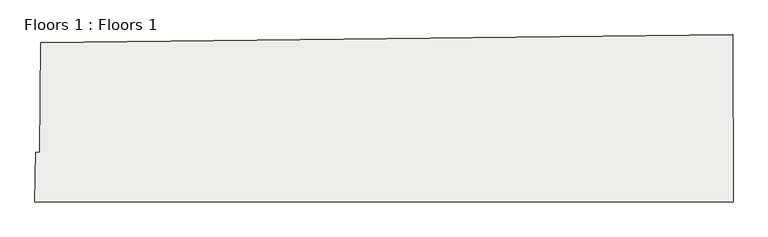
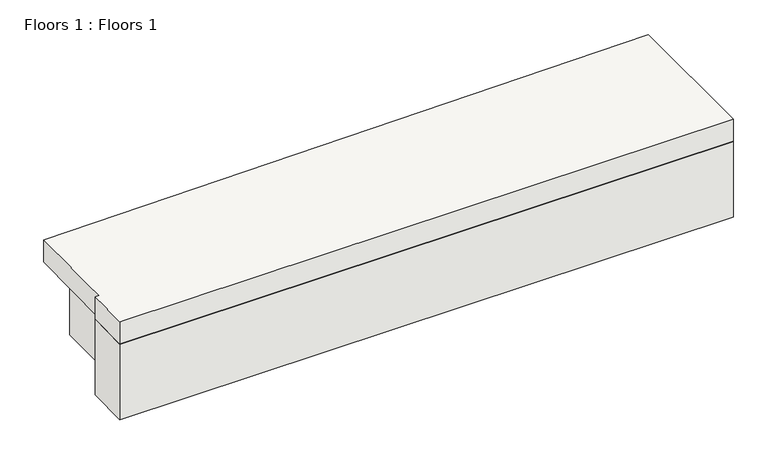
"""IFC4 building model written with IfcOpenShell, lengths in millimetres: slab geometry, Floors 1 : Floors 1."""

from ifc_helpers import new_model, si_unit, frame, origin, place, context, project, spatial, polyline, outline, extrude, source, transform, mapped, element, save


def floors_1_floors_1_8afbdd4b(model_context):
    return source(origin(), model_context, "Body", "SweptSolid", [
        extrude(outline(polyline([(-45286.5896881, 52448.2640227), (-43481.5097159, 52468.5778511), (-43481.2448038, 52032.3008441), (-45301.4793326, 52032.3008441), (-45299.8625735, 52161.890837), (-45289.1197284, 52161.4811851), (-45286.5896881, 52448.2640227)])), frame((0.0, 0.0, 108085.4293372), z_axis=(0.0, 0.0, 1.0), x_axis=(1.0, 0.0, 0.0)), (0.0, 0.0, 1.0), 69.5706628),
        extrude(outline(polyline([(-43512.7156548, 52153.4379107), (-43481.9374619, 52153.4379107), (-43481.2872041, 52032.3008441), (-45301.4793326, 52032.3008441), (-45299.8625735, 52161.890837), (-45221.7295402, 52158.9114263), (-45221.7295402, 52426.6236667), (-43512.7156548, 52437.7783434), (-43512.7156548, 52153.4379107)])), frame((0.0, 0.0, 107847.0903827), z_axis=(0.0, 0.0, 1.0), x_axis=(1.0, 0.0, 0.0)), (0.0, 0.0, 1.0), 237.8625396),
    ])


if __name__ == "__main__":
    model = new_model("IFC4")
    model_context = context("Model", 3, world=origin())
    ifc_project = project(units=[si_unit("LENGTHUNIT", "METRE", prefix="MILLI")], contexts=[model_context])
    site = spatial("IfcSite", under=ifc_project)
    building = spatial("IfcBuilding", under=site)
    placement = place(None, origin())
    floors_1_floors_1_shape = floors_1_floors_1_8afbdd4b(model_context)
    element("IfcSlab", 1, ObjectType="Floors 1 : Floors 1", at=placement, inside=building, context=model_context, shape_type="MappedRepresentation", body=[
        mapped(floors_1_floors_1_shape, transform((0.0, 0.0, 0.0), x_axis=(1.0, 0.0, 0.0), y_axis=(0.0, 1.0, 0.0), z_axis=(0.0, 0.0, 1.0))),
    ])
    save(model, "model.ifc")
